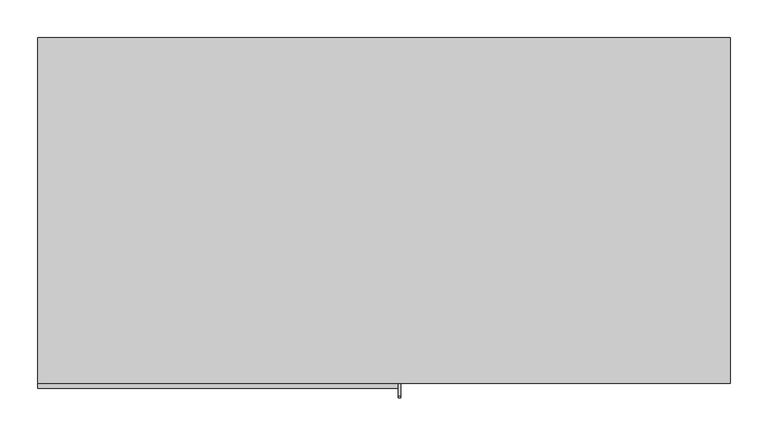
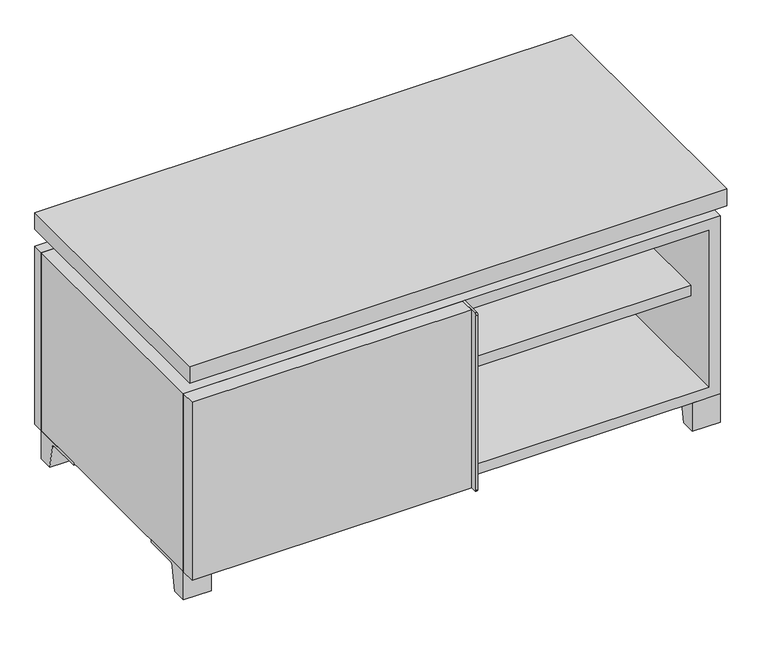
"""IFC4 building model written with IfcOpenShell, lengths in millimetres: furniture geometry."""

from ifc_helpers import new_model, si_unit, point, frame, frame_2d, origin, place, context, project, spatial, polyline, circle_curve, trimmed, segment, composite_curve, outline, extrude, faceted_brep, source, transform, mapped, element, save


def furniture_6d13c90a(model_context):
    return source(origin(), model_context, "Body", "SolidModel", [
        extrude(outline(polyline([(9.5319453, 241.3), (438.1569453, 241.3), (438.1569453, -92.075), (9.5319453, -92.075), (9.5319453, 241.3)])), frame((0.0, 0.0, 201.6125), z_axis=(0.0, 0.0, 1.0), x_axis=(1.0, 0.0, 0.0)), (0.0, 0.0, 1.0), 19.05),
        extrude(outline(polyline([(-9.5041641, 241.3), (-9.5041641, -92.075), (-438.1291641, -92.075), (-438.1291641, 241.3), (-9.5041641, 241.3)])), frame((0.0, 0.0, 201.6125), z_axis=(0.0, 0.0, 1.0), x_axis=(1.0, 0.0, 0.0)), (0.0, 0.0, 1.0), 19.05),
        extrude(outline(polyline([(457.2138906, 292.1), (457.2138906, -165.1), (-457.1861094, -165.1), (-457.1861094, 292.1), (457.2138906, 292.1)])), frame((0.0, 0.0, 401.6375), z_axis=(0.0, 0.0, 1.0), x_axis=(1.0, 0.0, 0.0)), (0.0, 0.0, 1.0), 30.1625),
        extrude(outline(composite_curve([segment(polyline([(-146.05, 371.475), (-146.05, 50.8), (-180.975, 50.8)]), True, "CONTINUOUS"), segment(trimmed(circle_curve(frame_2d((-180.975, 53.975)), 3.175), [point((-180.975, 50.8))], [point((-184.15, 53.975))], False, "CARTESIAN"), True, "CONTINUOUS"), segment(polyline([(-184.15, 53.975), (-184.15, 368.3)]), True, "CONTINUOUS"), segment(trimmed(circle_curve(frame_2d((-180.975, 368.3)), 3.175), [point((-184.15, 368.3))], [point((-180.975, 371.475))], False, "CARTESIAN"), True, "CONTINUOUS"), segment(polyline([(-180.975, 371.475), (-146.05, 371.475)]), True, "CONTINUOUS")], self_intersect=False)), frame((19.0638906, 0.0, 0.0), z_axis=(1.0, 0.0, 0.0), x_axis=(0.0, 1.0, 0.0)), (0.0, 0.0, 1.0), 3.175),
        extrude(outline(polyline([(-457.1861094, -146.05), (19.0638906, -146.05), (19.0638906, -171.45), (-457.1861094, -171.45), (-457.1861094, -146.05)])), frame((0.0, 0.0, 50.8), z_axis=(0.0, 0.0, 1.0), x_axis=(1.0, 0.0, 0.0)), (0.0, 0.0, 1.0), 320.675),
        extrude(outline(composite_curve([segment(polyline([(-120.6500136, 0.0), (-146.05, 0.0), (-146.05, 50.8), (-50.8, 50.8), (-50.8, 46.0213321), (-107.6005345, 46.0213321)]), True, "CONTINUOUS"), segment(trimmed(circle_curve(frame_2d((-107.6005345, 39.6713321)), 6.35), [point((-107.6005345, 46.0213321))], [point((-113.8641359, 40.7152656))], True, "CARTESIAN"), True, "CONTINUOUS"), segment(polyline([(-113.8641359, 40.7152656), (-120.6500136, 0.0)]), True, "CONTINUOUS")], self_intersect=False)), frame((409.5888906, 0.0, 0.0), z_axis=(1.0, 0.0, 0.0), x_axis=(0.0, 1.0, 0.0)), (0.0, 0.0, 1.0), 47.625),
        extrude(outline(composite_curve([segment(polyline([(247.6500136, 0.0), (240.8641359, 40.7152656)]), True, "CONTINUOUS"), segment(trimmed(circle_curve(frame_2d((234.6005345, 39.6713321)), 6.35), [point((240.8641359, 40.7152656))], [point((234.6005345, 46.0213321))], True, "CARTESIAN"), True, "CONTINUOUS"), segment(polyline([(234.6005345, 46.0213321), (177.8, 46.0213321), (177.8, 50.8), (273.05, 50.8), (273.05, 0.0), (247.6500136, 0.0)]), True, "CONTINUOUS")], self_intersect=False)), frame((409.5888906, 0.0, 0.0), z_axis=(1.0, 0.0, 0.0), x_axis=(0.0, 1.0, 0.0)), (0.0, 0.0, 1.0), 47.625),
        extrude(outline(composite_curve([segment(polyline([(-120.6500136, 0.0), (-146.05, 0.0), (-146.05, 50.8), (-50.8, 50.8), (-50.8, 46.0213321), (-107.6005345, 46.0213321)]), True, "CONTINUOUS"), segment(trimmed(circle_curve(frame_2d((-107.6005345, 39.6713321)), 6.35), [point((-107.6005345, 46.0213321))], [point((-113.8641359, 40.7152656))], True, "CARTESIAN"), True, "CONTINUOUS"), segment(polyline([(-113.8641359, 40.7152656), (-120.6500136, 0.0)]), True, "CONTINUOUS")], self_intersect=False)), frame((-457.1861094, 0.0, 0.0), z_axis=(1.0, 0.0, 0.0), x_axis=(0.0, 1.0, 0.0)), (0.0, 0.0, 1.0), 47.625),
        extrude(outline(composite_curve([segment(polyline([(247.6500136, 0.0), (240.8641359, 40.7152656)]), True, "CONTINUOUS"), segment(trimmed(circle_curve(frame_2d((234.6005345, 39.6713321)), 6.35), [point((240.8641359, 40.7152656))], [point((234.6005345, 46.0213321))], True, "CARTESIAN"), True, "CONTINUOUS"), segment(polyline([(234.6005345, 46.0213321), (177.8, 46.0213321), (177.8, 50.8), (273.05, 50.8), (273.05, 0.0), (247.6500136, 0.0)]), True, "CONTINUOUS")], self_intersect=False)), frame((-457.1861094, 0.0, 0.0), z_axis=(1.0, 0.0, 0.0), x_axis=(0.0, 1.0, 0.0)), (0.0, 0.0, 1.0), 47.625),
        faceted_brep([(7.9513906, -120.65, 401.6375), (7.9513906, -120.65, 371.475), (7.9513906, 53.975, 371.475), (7.9513906, 53.975, 401.6375), (7.9513906, 247.65, 371.475), (7.9513906, 247.65, 401.6375), (7.9513906, 73.025, 401.6375), (7.9513906, 73.025, 371.475), (-7.9236094, 247.65, 401.6375), (-7.9236094, 247.65, 371.475), (-7.9236094, 73.025, 371.475), (-7.9236094, 73.025, 401.6375), (-7.9236094, -120.65, 371.475), (-7.9236094, -120.65, 401.6375), (-7.9236094, 53.975, 401.6375), (-7.9236094, 53.975, 371.475), (-415.8833281, 73.025, 401.6375), (-415.9041641, 247.65, 401.6375), (-431.7791641, 247.65, 401.6375), (-431.7791641, -120.65, 401.6375), (-415.9041641, -120.65, 401.6375), (-415.9041641, 53.975, 401.6375), (415.9111094, 53.975, 401.6375), (415.9111094, -120.65, 401.6375), (431.7861094, -120.65, 401.6375), (431.7861094, 247.65, 401.6375), (415.9111094, 247.65, 401.6375), (415.9111094, 73.025, 401.6375), (-415.8833281, 53.975, 371.475), (-415.9041641, -120.65, 371.475), (-431.7791641, -120.65, 371.475), (-431.7791641, 247.65, 371.475), (-415.9041641, 247.65, 371.475), (-415.9041641, 73.025, 371.475), (415.9111094, 73.025, 371.475), (415.9111094, 247.65, 371.475), (431.7861094, 247.65, 371.475), (431.7861094, -120.65, 371.475), (415.9111094, -120.65, 371.475), (415.9111094, 53.975, 371.475)], [[[0, 1, 2, 3]], [[4, 5, 6, 7]], [[8, 9, 10, 11]], [[12, 13, 14, 15]], [[5, 8, 11, 16, 17, 18, 19, 20, 21, 14, 13, 0, 3, 22, 23, 24, 25, 26, 27, 6]], [[1, 12, 15, 28, 29, 30, 31, 32, 33, 10, 9, 4, 7, 34, 35, 36, 37, 38, 39, 2]], [[5, 4, 9, 8]], [[1, 0, 13, 12]], [[6, 27, 34, 7]], [[22, 3, 2, 39]], [[20, 29, 28, 21]], [[32, 17, 16, 33]], [[18, 31, 30, 19]], [[29, 20, 19, 30]], [[17, 32, 31, 18]], [[26, 35, 34, 27]], [[38, 23, 22, 39]], [[25, 24, 37, 36]], [[23, 38, 37, 24]], [[35, 26, 25, 36]], [[16, 11, 10, 33]], [[14, 21, 28, 15]]]),
        extrude(outline(polyline([(9.5388906, 241.3), (9.5388906, -95.25), (-9.5111094, -95.25), (-9.5111094, 241.3), (9.5388906, 241.3)])), frame((0.0, 0.0, 69.85), z_axis=(0.0, 0.0, 1.0), x_axis=(1.0, 0.0, 0.0)), (0.0, 0.0, 1.0), 282.575),
        extrude(outline(polyline([(15.8888906, -88.9), (15.8888906, -146.05), (-9.5111094, -146.05), (-9.5111094, -120.65), (3.1888906, -120.65), (3.1888906, -88.9), (15.8888906, -88.9)])), frame((0.0, 0.0, 69.85), z_axis=(0.0, 0.0, 1.0), x_axis=(1.0, 0.0, 0.0)), (0.0, 0.0, 1.0), 282.575),
        extrude(outline(polyline([(457.2138906, 273.05), (-457.1861094, 273.05), (-457.1861094, 292.1), (457.2138906, 292.1), (457.2138906, 273.05)])), frame((0.0, 0.0, 50.8), z_axis=(0.0, 0.0, 1.0), x_axis=(1.0, 0.0, 0.0)), (0.0, 0.0, 1.0), 320.675),
        extrude(outline(polyline([(50.8, -457.1861094), (50.8, 457.2), (371.475, 457.2), (371.475, -457.1861094), (50.8, -457.1861094)]), holes=[polyline([(69.85, -438.1361094), (352.425, -438.1361094), (352.425, 438.1361094), (69.85, 438.1361094), (69.85, -438.1361094)])]), frame((0.0, -146.05, 0.0), z_axis=(0.0, 1.0, 0.0), x_axis=(0.0, 0.0, 1.0)), (0.0, 0.0, 1.0), 419.1),
        extrude(outline(polyline([(-438.1291641, 241.3), (-438.1291641, 247.65), (438.1569453, 247.65), (438.1569453, 241.3), (-438.1291641, 241.3)])), frame((0.0, 0.0, 69.85), z_axis=(0.0, 0.0, 1.0), x_axis=(1.0, 0.0, 0.0)), (0.0, 0.0, 1.0), 282.575),
    ])


if __name__ == "__main__":
    model = new_model("IFC4")
    model_context = context("Model", 3, world=origin())
    ifc_project = project(units=[si_unit("LENGTHUNIT", "METRE", prefix="MILLI")], contexts=[model_context])
    site = spatial("IfcSite", under=ifc_project)
    building = spatial("IfcBuilding", under=site)
    placement = place(None, origin())
    furniture_shape = furniture_6d13c90a(model_context)
    element("IfcFurniture", 1, at=placement, inside=building, context=model_context, shape_type="MappedRepresentation", body=[
        mapped(furniture_shape, transform((0.0, 0.0, 0.0), x_axis=(1.0, 0.0, 0.0), y_axis=(0.0, 1.0, 0.0), z_axis=(0.0, 0.0, 1.0))),
    ])
    save(model, "model.ifc")
